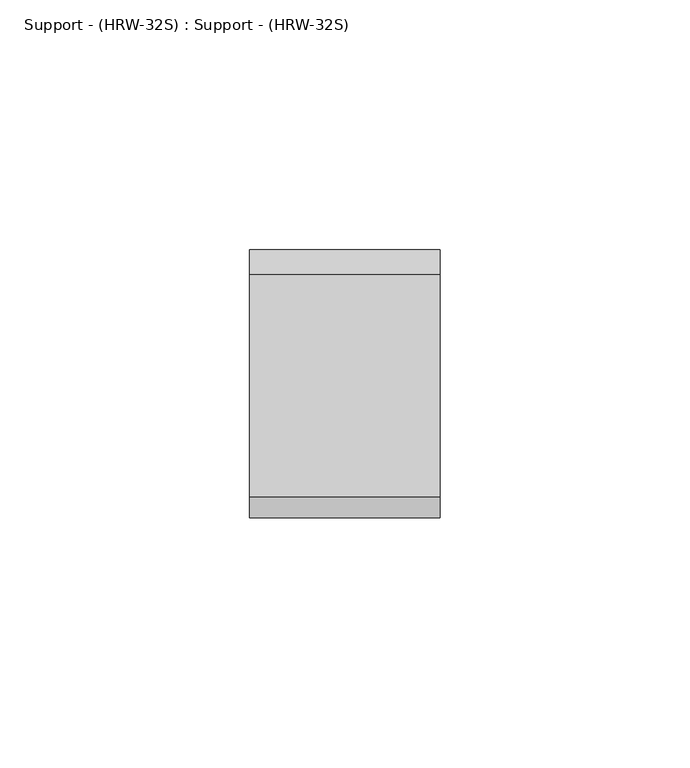
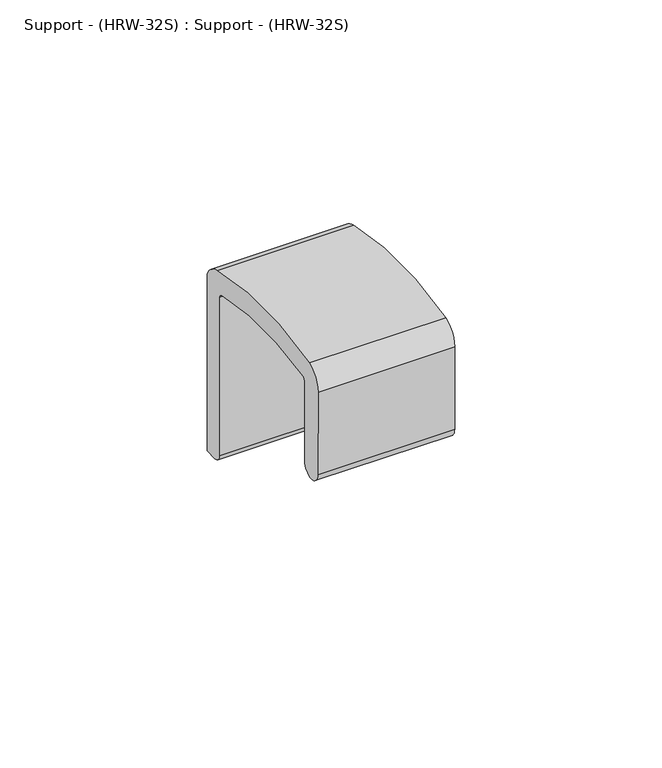
"""IFC4 building model written with IfcOpenShell, lengths in millimetres: proxy geometry, Support - (HRW-32S) : Support - (HRW-32S)."""

from ifc_helpers import new_model, si_unit, point, frame, frame_2d, origin, place, context, project, spatial, polyline, circle_curve, trimmed, segment, composite_curve, outline, extrude, source, transform, mapped, element, save


def support_hrw_32s_support_hrw_32s_c045320a(model_context):
    return source(origin(), model_context, "Body", "SweptSolid", [
        extrude(outline(composite_curve([segment(trimmed(circle_curve(frame_2d((50.7327996, 62.5109409)), 6.3646199), [point((51.7035571, 68.8010932))], [point((56.6919745, 64.7462531))], False, "CARTESIAN"), True, "CONTINUOUS"), segment(polyline([(56.6919745, 64.7462531), (56.6919745, 12.7088455), (52.888778, 12.7088455)]), True, "CONTINUOUS"), segment(trimmed(circle_curve(frame_2d((52.888778, 14.8789366)), 2.1700911), [point((52.888778, 12.7088455))], [point((50.718687, 14.8789366))], False, "CARTESIAN"), True, "CONTINUOUS"), segment(polyline([(50.718687, 14.8789366), (50.718687, 61.6188295)]), True, "CONTINUOUS"), segment(trimmed(circle_curve(frame_2d((49.2086769, 61.3255121)), 1.5382345), [point((50.718687, 61.6188295))], [point((49.25282, 62.8631131))], True, "CARTESIAN"), True, "CONTINUOUS"), segment(trimmed(circle_curve(frame_2d((30.0724799, -17.4489242)), 82.5706291), [point((49.25282, 62.8631131))], [point((10.3360226, 62.728261))], True, "CARTESIAN"), True, "CONTINUOUS"), segment(trimmed(circle_curve(frame_2d((10.9734812, 61.318456)), 1.5472246), [point((10.3360226, 62.728261))], [point((9.4262727, 61.3114001))], True, "CARTESIAN"), True, "CONTINUOUS"), segment(polyline([(9.4262727, 61.3114001), (9.4262727, 37.7025673)]), True, "CONTINUOUS"), segment(trimmed(circle_curve(frame_2d((6.279243, 38.1249896)), 3.1752538), [point((9.4262727, 37.7025673))], [point((3.1039892, 38.1249898))], False, "CARTESIAN"), True, "CONTINUOUS"), segment(polyline([(3.1039892, 38.1249898), (3.0757651, 62.4965035)]), True, "CONTINUOUS"), segment(trimmed(circle_curve(frame_2d((9.4494945, 62.5038848)), 6.3737336), [point((3.0757651, 62.4965035))], [point((7.3280727, 68.5142134))], False, "CARTESIAN"), True, "CONTINUOUS"), segment(trimmed(circle_curve(frame_2d((30.0724799, -17.4490516)), 88.9212628), [point((7.3280727, 68.5142134))], [point((51.7035571, 68.8010932))], False, "CARTESIAN"), True, "CONTINUOUS")], self_intersect=False)), frame((-19.6503168, 0.0, 0.0), z_axis=(1.0, 0.0, 0.0), x_axis=(0.0, 1.0, 0.0)), (0.0, 0.0, 1.0), 38.1),
    ])


if __name__ == "__main__":
    model = new_model("IFC4")
    model_context = context("Model", 3, world=origin())
    ifc_project = project(units=[si_unit("LENGTHUNIT", "METRE", prefix="MILLI")], contexts=[model_context])
    site = spatial("IfcSite", under=ifc_project)
    building = spatial("IfcBuilding", under=site)
    placement = place(None, origin())
    support_hrw_32s_support_hrw_32s_shape = support_hrw_32s_support_hrw_32s_c045320a(model_context)
    element("IfcBuildingElementProxy", 1, Name="Support - (HRW-32S) : Support - (HRW-32S)", ObjectType="Support - (HRW-32S) : Support - (HRW-32S)", at=placement, inside=building, context=model_context, shape_type="MappedRepresentation", body=[
        mapped(support_hrw_32s_support_hrw_32s_shape, transform((0.0, 0.0, 0.0), x_axis=(1.0, 0.0, 0.0), y_axis=(0.0, 1.0, 0.0), z_axis=(0.0, 0.0, 1.0))),
    ])
    save(model, "model.ifc")
